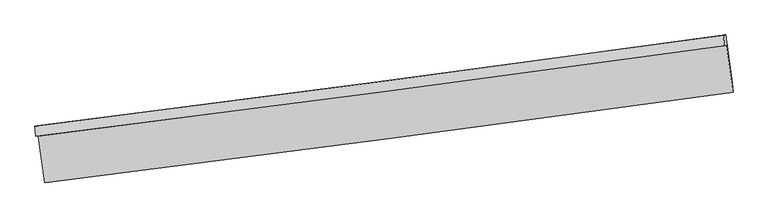
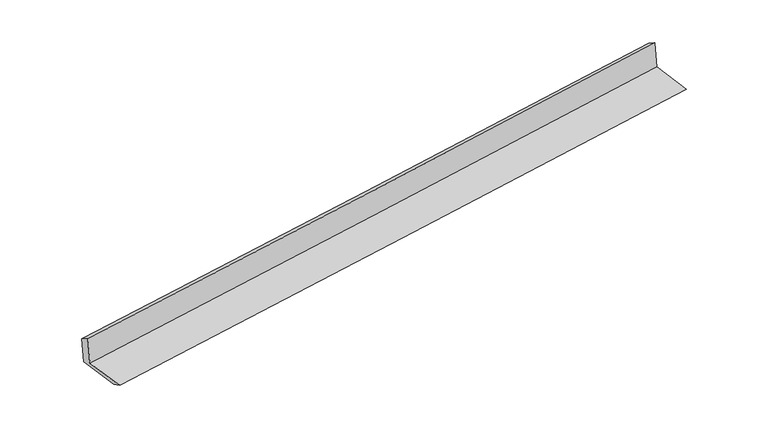
"""IFC4 building model written with IfcOpenShell, lengths in millimetres: proxy geometry."""

import ifcopenshell
import ifcopenshell.guid

model = None  # the IFC model being written
_history = None  # IfcOwnerHistory: only IFC2X3 demands one
_inside = {}  # id of a spatial element -> (the spatial element, [elements in it])
_under = {}  # id of a project, library or spatial element -> (it, [spatial elements below it])
_declared = {}  # id of a project -> (the project, [libraries it declares])
_typed = {}  # id of a type object -> (the type object, [elements of that type])
_made_of = {}  # id of a material, layer set ... -> (it, [elements and type objects made of it])


def new_model(schema):
    """Start an empty IFC model of exactly this schema.

    Asked for "IFC4X3", IfcOpenShell would pick the latest addendum, in which some entities
    have other attributes; the version numbers below select the first issue.
    IFC2X3 requires an IfcOwnerHistory on every rooted entity: one is made here for all.
    """
    global model, _history
    if schema == "IFC4X3":
        model = ifcopenshell.file(schema_version=(4, 3, 0, 0))
    else:
        model = ifcopenshell.file(schema=schema)
    _inside.clear()
    _under.clear()
    _declared.clear()
    _typed.clear()
    _made_of.clear()
    _history = None
    if model.schema == "IFC2X3":
        org = make("IfcOrganization", Name="unknown")
        user = make(
            "IfcPersonAndOrganization",
            ThePerson=make("IfcPerson", FamilyName="unknown"),
            TheOrganization=org,
        )
        app = make(
            "IfcApplication",
            ApplicationDeveloper=org,
            Version="unknown",
            ApplicationFullName="unknown",
            ApplicationIdentifier="unknown",
        )
        _history = make(
            "IfcOwnerHistory",
            OwningUser=user,
            OwningApplication=app,
            ChangeAction="ADDED",
            CreationDate=0,
        )
    return model


def make(cls, **values):
    """One entity of the class cls with the attributes given. An attribute that is None is left unset."""
    return model.create_entity(
        cls, **{name: value for name, value in values.items() if value is not None}
    )


def rooted(cls, **values):
    """An entity with a GlobalId (a new one), such as an element, a storey or a relation."""
    return make(cls, GlobalId=ifcopenshell.guid.new(), OwnerHistory=_history, **values)


def si_unit(unit_type, name, prefix=None):
    """IfcSIUnit, for example si_unit("LENGTHUNIT", "METRE", prefix="MILLI")."""
    return make("IfcSIUnit", UnitType=unit_type, Prefix=prefix, Name=name)


def assignment(units):
    """IfcUnitAssignment: the units of a project."""
    return None if units is None else make("IfcUnitAssignment", Units=units)


def point(xyz):
    """IfcCartesianPoint."""
    return None if xyz is None else make("IfcCartesianPoint", Coordinates=xyz)


def direction(xyz):
    """IfcDirection."""
    return None if xyz is None else make("IfcDirection", DirectionRatios=xyz)


def frame(location, z_axis=None, x_axis=None):
    """IfcAxis2Placement3D, a coordinate frame: its origin and axes. An axis left out is left unset."""
    return make(
        "IfcAxis2Placement3D",
        Location=point(location),
        Axis=direction(z_axis),
        RefDirection=direction(x_axis),
    )


def origin():
    """The frame at (0, 0, 0) with its axes left unset."""
    return frame((0.0, 0.0, 0.0))


def place(relative_to, where):
    """IfcLocalPlacement: puts the frame where relative to a parent placement (None: the world)."""
    return make(
        "IfcLocalPlacement", PlacementRelTo=relative_to, RelativePlacement=where
    )


def context(
    kind, dimensions, precision=None, world=None, true_north=None, identifier=None
):
    """IfcGeometricRepresentationContext, for example the 3D "Model" context."""
    return make(
        "IfcGeometricRepresentationContext",
        ContextIdentifier=identifier,
        ContextType=kind,
        CoordinateSpaceDimension=dimensions,
        Precision=precision,
        WorldCoordinateSystem=world,
        TrueNorth=true_north,
    )


def project(units=None, contexts=None):
    """IfcProject with its units and contexts."""
    return rooted(
        "IfcProject",
        Name="project",
        RepresentationContexts=contexts,
        UnitsInContext=assignment(units),
    )


def spatial(cls, under=None, at=None, **own):
    """A site, building, storey or space (cls), placed at a placement, below another one or the project."""
    s = rooted(cls, ObjectPlacement=at, **own)
    if under is not None:
        _under.setdefault(under.id(), (under, []))[1].append(s)
    return s


def shape(context_of_items, identifier, shape_type, items):
    """IfcShapeRepresentation: the items that make up one representation, for example the "Body"."""
    return make(
        "IfcShapeRepresentation",
        ContextOfItems=context_of_items,
        RepresentationIdentifier=identifier,
        RepresentationType=shape_type,
        Items=items,
    )


def source(mapping_origin, context_of_items, identifier, shape_type, items):
    """IfcRepresentationMap: a shape defined once, which mapped items show again and again."""
    return make(
        "IfcRepresentationMap",
        MappingOrigin=mapping_origin,
        MappedRepresentation=shape(context_of_items, identifier, shape_type, items),
    )


def transform(
    local_origin,
    x_axis=None,
    y_axis=None,
    z_axis=None,
    scale=None,
    scale2=None,
    scale3=None,
    uniform=True,
):
    """IfcCartesianTransformationOperator3D, or its non-uniform kind. x_axis, y_axis, z_axis: its Axis1, 2, 3."""
    if uniform:
        return make(
            "IfcCartesianTransformationOperator3D",
            Axis1=direction(x_axis),
            Axis2=direction(y_axis),
            LocalOrigin=point(local_origin),
            Scale=scale,
            Axis3=direction(z_axis),
        )
    return make(
        "IfcCartesianTransformationOperator3DnonUniform",
        Axis1=direction(x_axis),
        Axis2=direction(y_axis),
        LocalOrigin=point(local_origin),
        Scale=scale,
        Axis3=direction(z_axis),
        Scale2=scale2,
        Scale3=scale3,
    )


def mapped(mapping_source, mapping_target):
    """IfcMappedItem: shows the shape of a source again, moved by a transform."""
    return make(
        "IfcMappedItem", MappingSource=mapping_source, MappingTarget=mapping_target
    )


def made_of(thing, what):
    """Note that an element or type object is made of a material, layer set ...; save() writes the relation."""
    if what is not None:
        _made_of.setdefault(what.id(), (what, []))[1].append(thing)
    return thing


def element(
    cls,
    number,
    at=None,
    inside=None,
    cuts=None,
    type_object=None,
    material=None,
    context=None,
    identifier="Body",
    shape_type=None,
    held_by="IfcProductDefinitionShape",
    body=None,
    shapes=None,
    **own,
):
    """One element of the class cls, such as IfcWall. Its Tag is "e" and its number.

    at: its placement. inside: the storey or other place that contains it. cuts: it is an
    opening in that element (IfcRelVoidsElement). A single representation is given by context,
    identifier, shape_type and body (its items); several are given by shapes. held_by: the class
    of the entity that holds the representations. save() writes the other relations.
    """
    e = rooted(cls, Tag="e%d" % number, ObjectPlacement=at, **own)
    if body is not None:
        shapes = [shape(context, identifier, shape_type, body)]
    if shapes is not None:
        e.Representation = make(held_by, Representations=shapes)
    if inside is not None:
        _inside.setdefault(inside.id(), (inside, []))[1].append(e)
    if cuts is not None:
        rooted(
            "IfcRelVoidsElement", RelatingBuildingElement=cuts, RelatedOpeningElement=e
        )
    if type_object is not None:
        _typed.setdefault(type_object.id(), (type_object, []))[1].append(e)
    return made_of(e, material)


def aggregate(whole, parts):
    """IfcRelAggregates: a whole, such as a stair, and the parts it consists of."""
    return rooted("IfcRelAggregates", RelatingObject=whole, RelatedObjects=parts)


def save(model, path):
    """Write the relations noted so far, then the file.

    IfcRelAggregates (storeys below a building ...), IfcRelContainedInSpatialStructure (elements
    in a storey), IfcRelDefinesByType, IfcRelAssociatesMaterial and IfcRelDeclares: one each for
    every whole, place, type object, material and project.
    """
    for whole, parts in _under.values():
        aggregate(whole, parts)
    for where, things in _inside.values():
        rooted(
            "IfcRelContainedInSpatialStructure",
            RelatedElements=things,
            RelatingStructure=where,
        )
    for kind, things in _typed.values():
        rooted("IfcRelDefinesByType", RelatedObjects=things, RelatingType=kind)
    for what, things in _made_of.values():
        rooted("IfcRelAssociatesMaterial", RelatedObjects=things, RelatingMaterial=what)
    for by, libraries in _declared.values():
        rooted("IfcRelDeclares", RelatingContext=by, RelatedDefinitions=libraries)
    model.write(path)


def plane_surface(at):
    """IfcPlane: the flat surface through the origin of the frame at, square to its z axis."""
    return make("IfcPlane", Position=at)


def spline_curve(degree, points, multiplicities, knots, weights=None):
    """IfcBSplineCurveWithKnots; with weights, IfcRationalBSplineCurveWithKnots."""
    own = dict(
        Degree=degree,
        ControlPointsList=[point(p) for p in points],
        CurveForm="UNSPECIFIED",
        ClosedCurve=False,
        SelfIntersect=False,
        KnotMultiplicities=multiplicities,
        Knots=knots,
        KnotSpec="UNSPECIFIED",
    )
    if weights is None:
        return make("IfcBSplineCurveWithKnots", **own)
    return make("IfcRationalBSplineCurveWithKnots", WeightsData=weights, **own)


def spline_surface(u_degree, v_degree, points, u_multiplicities, v_multiplicities, u_knots, v_knots, weights=None):
    """IfcBSplineSurfaceWithKnots; with weights, IfcRationalBSplineSurfaceWithKnots. points: one row for each step in u."""
    own = dict(
        UDegree=u_degree,
        VDegree=v_degree,
        ControlPointsList=[[point(p) for p in row] for row in points],
        SurfaceForm="UNSPECIFIED",
        UClosed=False,
        VClosed=False,
        SelfIntersect=False,
        UMultiplicities=u_multiplicities,
        VMultiplicities=v_multiplicities,
        UKnots=u_knots,
        VKnots=v_knots,
        KnotSpec="UNSPECIFIED",
    )
    if weights is None:
        return make("IfcBSplineSurfaceWithKnots", **own)
    return make("IfcRationalBSplineSurfaceWithKnots", WeightsData=weights, **own)


def advanced_brep(points, edges, surfaces, faces):
    """IfcAdvancedBrep: a solid bounded by faces that lie on surfaces and meet in shared edges.

    An edge is (start, end): straight between two places in points (the first is 0);
    or (start, end, curve); or (start, end, curve, False) where it runs against its curve.
    A face is (place in surfaces, loops), or (place, loops, False) where it looks against
    its surface's normal. A loop lists edges by number (the first is 1), with a minus sign
    where the edge is run from its end to its start. The first loop is the outer one.
    """
    corners = [point(p) for p in points]
    vertices = [make("IfcVertexPoint", VertexGeometry=c) for c in corners]
    made = []
    for start, end, *more in edges:
        made.append(
            make(
                "IfcEdgeCurve",
                EdgeStart=vertices[start],
                EdgeEnd=vertices[end],
                EdgeGeometry=more[0] if more else make("IfcPolyline", Points=[corners[start], corners[end]]),
                SameSense=more[1] if len(more) > 1 else True,
            )
        )
    hull = []
    for where, loops, *sense in faces:
        bounds = []
        for j, loop in enumerate(loops):
            ring = [make("IfcOrientedEdge", EdgeElement=made[abs(k) - 1], Orientation=k > 0) for k in loop]
            bounds.append(
                make(
                    "IfcFaceOuterBound" if j == 0 else "IfcFaceBound",
                    Bound=make("IfcEdgeLoop", EdgeList=ring),
                    Orientation=True,
                )
            )
        hull.append(make("IfcAdvancedFace", Bounds=bounds, FaceSurface=surfaces[where], SameSense=sense[0] if sense else True))
    return make("IfcAdvancedBrep", Outer=make("IfcClosedShell", CfsFaces=hull))


def generic_models_f233cf18(model_context):
    return source(origin(), model_context, "Body", "AdvancedBrep", [
        advanced_brep(
        [(-4755.6861935, -2125.5278205, 1899.3185964), (-4723.5992681, -2120.3638085, 1488.0012492), (4692.6126217, -879.6639926, 2248.1692137), (4661.3033739, -884.7028465, 2649.5176315), (-4768.2718353, -1982.6644003, 1815.2842782), (4648.717732, -741.8394263, 2565.4833133), (-4737.9399045, -1977.782834, 1426.4639355), (4679.8273405, -736.832702, 2166.6940413), (-4649.9765382, -2628.6905706, 1425.1539462), (4767.7907068, -1387.7404386, 2165.3840519), (-4636.9293704, -2761.7001884, 1486.7105227), (4779.2825193, -1521.0003725, 2246.8784872)],
        [
            (0, 1),
            (1, 2, spline_curve(3, [(-4723.5992681, -2120.3638085, 1488.0012492), (-3157.612239412, -1924.120103329, 1617.638792012), (-1592.146978571, -1722.912373668, 1745.630809708), (1546.596240379, -1309.402111819, 1999.038808398), (3119.868275851, -1097.043235866, 2124.436111789), (4692.6126217, -879.6639926, 2248.1692137)], [4, 2, 4], [0.0, 15.585860981864924, 31.25992450999933])),
            (2, 3),
            (3, 0, spline_curve(3, [(4661.3033739, -884.7028465, 2649.5176315), (3088.689742426, -1102.061053083, 2524.108924653), (1515.417706954, -1314.419928513, 2398.71162084), (-1623.586205178, -1727.972146391, 2148.645403944), (-3189.310691903, -1929.221595246, 2023.976362593), (-4755.6861935, -2125.5278205, 1899.3185964)], [4, 2, 4], [0.0, 15.674063528134406, 31.25992450999933])),
            (4, 0),
            (3, 5),
            (5, 4, spline_curve(3, [(4648.717732, -741.8394263, 2565.4833133), (3076.104100616, -959.197632754, 2440.074606068), (1502.832064568, -1171.556508567, 2314.677302509), (-1636.171846595, -1585.108725939, 2064.611085874), (-3201.896333539, -1786.358174919, 1939.94204427), (-4768.2718353, -1982.6644003, 1815.2842782)], [4, 2, 4], [0.0, 15.674058809348931, 31.25991509898237])),
            (6, 4),
            (5, 7),
            (7, 6, spline_curve(3, [(4679.8273405, -736.832702, 2166.6940413), (3107.344422879, -954.169871377, 2039.609728994), (1534.072387407, -1166.52874723, 1914.212425082), (-1605.192216866, -1580.122920094, 1667.48798998), (-3171.175929994, -1781.414088662, 1546.141924555), (-4737.9399045, -1977.782834, 1426.4639355)], [4, 2, 4], [0.0, 15.674063528134356, 31.25992450999923])),
            (8, 6),
            (7, 9),
            (9, 8, spline_curve(3, [(4767.7907068, -1387.7404386, 2165.3840519), (3195.307789554, -1605.077607821, 2038.299739237), (1622.035753712, -1817.436483575, 1912.902435605), (-1517.228850571, -2231.030656949, 1666.178000656), (-3083.212563318, -2432.321825067, 1544.831935283), (-4649.9765382, -2628.6905706, 1425.1539462)], [4, 2, 4], [0.0, 15.674077684471845, 31.259952743012352])),
            (10, 8),
            (9, 11),
            (11, 10, spline_curve(3, [(4779.2825193, -1521.0003725, 2246.8784872), (3206.53817358, -1738.379615631, 2123.145385444), (1633.266138054, -1950.738491444, 1997.748081886), (-1505.477081047, -2364.248753842, 1744.34008342), (-3070.942341951, -2565.456483083, 1616.348065448), (-4636.9293704, -2761.7001884, 1486.7105227)], [4, 2, 4], [0.0, 15.674058809348947, 31.2599150989824])),
            (1, 10),
            (11, 2),
        ],
        [
            spline_surface(3, 3, [[(-4755.6861935, -2125.5278205, 1899.3185964), (-3189.310691835, -1929.221595097, 2023.976362369), (-1623.586204952, -1727.972146243, 2148.645403866), (1515.417706726, -1314.419928662, 2398.711620919), (3088.689742317, -1102.061052846, 2524.108924456), (4661.3033739, -884.7028465, 2649.5176315)], [(-4744.990551691, -2123.806483183, 1762.212813996), (-3178.744541057, -1927.521097833, 1888.530505519), (-1613.106462798, -1726.285555427, 2014.307205835), (1525.810551258, -1312.747322993, 2265.487350103), (3099.082586849, -1100.388447176, 2390.884653641), (4671.739789838, -883.023228527, 2515.734825557)], [(-4734.294909909, -2122.085145817, 1625.107031604), (-3168.178390307, -1925.820600521, 1753.084648679), (-1602.626720656, -1724.598964629, 1879.969007735), (1536.203395777, -1311.074717342, 2132.263079218), (3109.475431368, -1098.715841525, 2257.660382855), (4682.176205762, -881.343610573, 2381.952019643)], [(-4723.5992681, -2120.3638085, 1488.0012492), (-3157.612239529, -1924.120103257, 1617.638791829), (-1592.146978502, -1722.912373813, 1745.630809705), (1546.596240309, -1309.402111673, 1999.038808402), (3119.8682759, -1097.043235856, 2124.436112039), (4692.6126217, -879.6639926, 2248.1692137)]], [4, 4], [4, 2, 4], [0.0, 1.3208174901847283], [0.0, 15.585860981864924, 31.25992450999933]),
            spline_surface(3, 3, [[(-4768.2718353, -1982.6644003, 1815.2842782), (-3201.896333635, -1786.358174897, 1939.942044169), (-1636.171846852, -1585.108726043, 2064.611085666), (1502.832064826, -1171.556508462, 2314.677302719), (3076.104100417, -959.197632646, 2440.074606256), (4648.717732, -741.8394263, 2565.4833133)], [(-4764.076621344, -2030.285540376, 1843.2957176), (-3197.701119679, -1833.979314973, 1967.953483569), (-1631.976632896, -1632.729866119, 2092.622525066), (1507.027278782, -1219.177648538, 2342.688742118), (3080.299314373, -1006.818772721, 2468.086045656), (4652.912945956, -789.460566376, 2593.4947527)], [(-4759.881407456, -2077.906680424, 1871.307157), (-3193.505905791, -1881.600455022, 1995.964922969), (-1627.781418908, -1680.351006167, 2120.633964466), (1511.22249277, -1266.798788586, 2370.700181519), (3084.494528361, -1054.43991277, 2496.097485056), (4657.108159944, -837.081706424, 2621.5061921)], [(-4755.6861935, -2125.5278205, 1899.3185964), (-3189.310691835, -1929.221595097, 2023.976362369), (-1623.586204952, -1727.972146243, 2148.645403866), (1515.417706726, -1314.419928662, 2398.711620919), (3088.689742317, -1102.061052846, 2524.108924456), (4661.3033739, -884.7028465, 2649.5176315)]], [4, 4], [4, 2, 4], [0.0, 0.5453514063930406], [0.0, 15.585856289633437, 31.25991509898237]),
            spline_surface(3, 3, [[(-4737.9399045, -1977.782834, 1426.4639355), (-3171.175929742, -1781.414088438, 1546.14192481), (-1605.192217002, -1580.122920173, 1667.487989827), (1534.072387543, -1166.528747152, 1914.212425235), (3107.344423134, -954.169871435, 2039.609728873), (4679.8273405, -736.832702, 2166.6940413)], [(-4748.050548123, -1979.410022763, 1556.070716393), (-3181.416064395, -1783.062117254, 1677.408631257), (-1615.51876028, -1581.784855437, 1799.862355093), (1523.658946643, -1168.204667563, 2047.700717717), (3096.930982234, -955.845791846, 2173.098021354), (4669.457471006, -738.501610108, 2299.623798654)], [(-4758.161191677, -1981.037211537, 1685.677497307), (-3191.656198981, -1784.710146081, 1808.675337723), (-1625.845303574, -1583.446790778, 1932.236720399), (1513.245505726, -1169.880588051, 2181.189010237), (3086.517541317, -957.521712234, 2306.586313775), (4659.087601494, -740.170518192, 2432.553555946)], [(-4768.2718353, -1982.6644003, 1815.2842782), (-3201.896333635, -1786.358174897, 1939.942044169), (-1636.171846852, -1585.108726043, 2064.611085666), (1502.832064826, -1171.556508462, 2314.677302719), (3076.104100417, -959.197632646, 2440.074606256), (4648.717732, -741.8394263, 2565.4833133)]], [4, 4], [4, 2, 4], [0.0, 1.3124880076262526], [0.0, 15.585860981864874, 31.25992450999923]),
            spline_surface(3, 3, [[(-4649.9765382, -2628.6905706, 1425.1539462), (-3083.212563442, -2432.321825038, 1544.83193551), (-1517.228850702, -2231.030656773, 1666.178000427), (1622.035753843, -1817.436483752, 1912.902435835), (3195.307789434, -1605.077608035, 2038.299739473), (4767.7907068, -1387.7404386, 2165.3840519)], [(-4679.297660293, -2411.721325065, 1425.590609327), (-3112.533685535, -2215.352579502, 1545.268598637), (-1546.549972795, -2014.061411237, 1666.614663554), (1592.71463175, -1600.467238216, 1913.339098962), (3165.986667341, -1388.1083625, 2038.7364026), (4738.469584707, -1170.771193065, 2165.820715027)], [(-4708.618782407, -2194.752079535, 1426.027272373), (-3141.854807648, -1998.383333973, 1545.705261683), (-1575.871094909, -1797.092165708, 1667.0513267), (1563.393509637, -1383.497992687, 1913.775762108), (3136.665545227, -1171.13911697, 2039.173065746), (4709.148462593, -953.801947535, 2166.257378173)], [(-4737.9399045, -1977.782834, 1426.4639355), (-3171.175929742, -1781.414088438, 1546.14192481), (-1605.192217002, -1580.122920173, 1667.487989827), (1534.072387543, -1166.528747152, 1914.212425235), (3107.344423134, -954.169871435, 2039.609728873), (4679.8273405, -736.832702, 2166.6940413)]], [4, 4], [4, 2, 4], [0.0, 2.154940338432885], [0.0, 15.585875058540507, 31.259952743012352]),
            spline_surface(3, 3, [[(-4636.9293704, -2761.7001884, 1486.7105227), (-3070.942341829, -2565.456483157, 1616.348065329), (-1505.477080902, -2364.248753713, 1744.340083305), (1633.266137909, -1950.738491573, 1997.748082002), (3206.5381735, -1738.379615756, 2123.145385539), (4779.2825193, -1521.0003725, 2246.8784872)], [(-4641.278426324, -2717.363649114, 1466.191663841), (-3075.03241569, -2521.078263765, 1592.509355364), (-1509.394337516, -2319.842721425, 1718.2860557), (1629.52267654, -1906.30448899, 1969.466199967), (3202.794712131, -1693.945613174, 2094.863503505), (4775.45191512, -1476.580394525, 2219.713675421)], [(-4645.627482276, -2673.027109886, 1445.672805059), (-3079.12248958, -2476.70004443, 1568.670645475), (-1513.311594088, -2275.436689061, 1692.232028032), (1625.779215212, -1861.870486334, 1941.18431787), (3199.051250803, -1649.511610617, 2066.581621508), (4771.62131098, -1432.160416575, 2192.548863679)], [(-4649.9765382, -2628.6905706, 1425.1539462), (-3083.212563442, -2432.321825038, 1544.83193551), (-1517.228850702, -2231.030656773, 1666.178000427), (1622.035753843, -1817.436483752, 1912.902435835), (3195.307789434, -1605.077608035, 2038.299739473), (4767.7907068, -1387.7404386, 2165.3840519)]], [4, 4], [4, 2, 4], [0.0, 0.5139125132252145], [0.0, 15.585856289633453, 31.2599150989824]),
            spline_surface(3, 3, [[(-4723.5992681, -2120.3638085, 1488.0012492), (-3157.612239529, -1924.120103257, 1617.638791829), (-1592.146978502, -1722.912373813, 1745.630809705), (1546.596240309, -1309.402111673, 1999.038808402), (3119.8682759, -1097.043235856, 2124.436112039), (4692.6126217, -879.6639926, 2248.1692137)], [(-4694.709302226, -2334.1426018, 1487.571007042), (-3128.722273654, -2137.898896557, 1617.208549671), (-1563.257012628, -1936.691167113, 1745.200567547), (1575.486206184, -1523.180904972, 1998.608566244), (3148.758241774, -1310.822029156, 2124.005869882), (4721.502587574, -1093.4427859, 2247.738971542)], [(-4665.819336274, -2547.9213951, 1487.140764858), (-3099.832307703, -2351.677689857, 1616.778307486), (-1534.367046777, -2150.469960414, 1744.770325463), (1604.376172035, -1736.959698273, 1998.17832416), (3177.648207626, -1524.600822456, 2123.575627697), (4750.392553426, -1307.2215792, 2247.308729358)], [(-4636.9293704, -2761.7001884, 1486.7105227), (-3070.942341829, -2565.456483157, 1616.348065329), (-1505.477080902, -2364.248753713, 1744.340083305), (1633.266137909, -1950.738491573, 1997.748082002), (3206.5381735, -1738.379615756, 2123.145385539), (4779.2825193, -1521.0003725, 2246.8784872)]], [4, 4], [4, 2, 4], [0.0, 2.123252740479439], [0.0, 15.585875058540562, 31.259952743012462]),
            plane_surface(frame((4704.9223824, -1025.2966297, 2340.3544565), z_axis=(0.9879357761878984, 0.1333507022547658, 0.07874320501589727), x_axis=(-0.13392190783378305, 0.990989881317556, 0.001994424321918655))),
            plane_surface(frame((-4712.067185, -2266.1216037, 1590.1554214), z_axis=(-0.9879357761879115, -0.13335070225465612, -0.07874320501591778), x_axis=(-0.07776776150936707, -0.01251580338519865, 0.9968929380507444))),
        ],
        [
            (0, [[1, 2, 3, 4]]),
            (1, [[5, -4, 6, 7]]),
            (2, [[8, -7, 9, 10]]),
            (3, [[11, -10, 12, 13]]),
            (4, [[14, -13, 15, 16]]),
            (5, [[17, -16, 18, -2]]),
            (6, [[-12, -9, -6, -3, -18, -15]]),
            (7, [[-1, -5, -8, -11, -14, -17]]),
        ],
    ),
    ])


if __name__ == "__main__":
    model = new_model("IFC4")
    model_context = context("Model", 3, world=origin())
    ifc_project = project(units=[si_unit("LENGTHUNIT", "METRE", prefix="MILLI")], contexts=[model_context])
    site = spatial("IfcSite", under=ifc_project)
    building = spatial("IfcBuilding", under=site)
    placement = place(None, origin())
    generic_models_shape = generic_models_f233cf18(model_context)
    element("IfcBuildingElementProxy", 1, Name="Generic Models", at=placement, inside=building, context=model_context, shape_type="MappedRepresentation", body=[
        mapped(generic_models_shape, transform((0.0, 0.0, 0.0), x_axis=(1.0, 0.0, 0.0), y_axis=(0.0, 1.0, 0.0), z_axis=(0.0, 0.0, 1.0))),
    ])
    save(model, "model.ifc")
